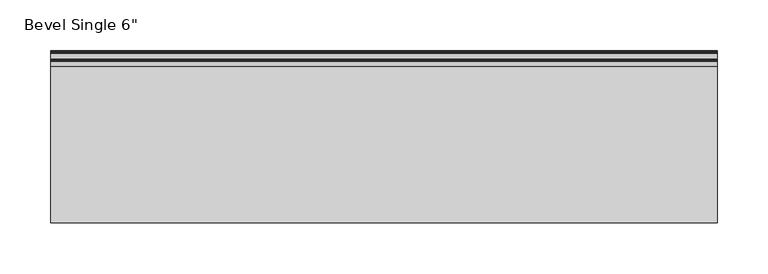
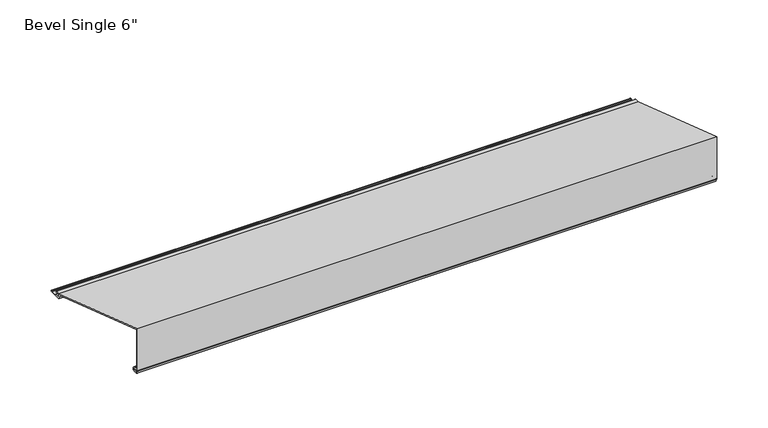
"""IFC4 building model written with IfcOpenShell, lengths in millimetres: proxy geometry."""

import ifcopenshell
import ifcopenshell.guid

model = None  # the IFC model being written
_history = None  # IfcOwnerHistory: only IFC2X3 demands one
_inside = {}  # id of a spatial element -> (the spatial element, [elements in it])
_under = {}  # id of a project, library or spatial element -> (it, [spatial elements below it])
_declared = {}  # id of a project -> (the project, [libraries it declares])
_typed = {}  # id of a type object -> (the type object, [elements of that type])
_made_of = {}  # id of a material, layer set ... -> (it, [elements and type objects made of it])


def new_model(schema):
    """Start an empty IFC model of exactly this schema.

    Asked for "IFC4X3", IfcOpenShell would pick the latest addendum, in which some entities
    have other attributes; the version numbers below select the first issue.
    IFC2X3 requires an IfcOwnerHistory on every rooted entity: one is made here for all.
    """
    global model, _history
    if schema == "IFC4X3":
        model = ifcopenshell.file(schema_version=(4, 3, 0, 0))
    else:
        model = ifcopenshell.file(schema=schema)
    _inside.clear()
    _under.clear()
    _declared.clear()
    _typed.clear()
    _made_of.clear()
    _history = None
    if model.schema == "IFC2X3":
        org = make("IfcOrganization", Name="unknown")
        user = make(
            "IfcPersonAndOrganization",
            ThePerson=make("IfcPerson", FamilyName="unknown"),
            TheOrganization=org,
        )
        app = make(
            "IfcApplication",
            ApplicationDeveloper=org,
            Version="unknown",
            ApplicationFullName="unknown",
            ApplicationIdentifier="unknown",
        )
        _history = make(
            "IfcOwnerHistory",
            OwningUser=user,
            OwningApplication=app,
            ChangeAction="ADDED",
            CreationDate=0,
        )
    return model


def make(cls, **values):
    """One entity of the class cls with the attributes given. An attribute that is None is left unset."""
    return model.create_entity(
        cls, **{name: value for name, value in values.items() if value is not None}
    )


def rooted(cls, **values):
    """An entity with a GlobalId (a new one), such as an element, a storey or a relation."""
    return make(cls, GlobalId=ifcopenshell.guid.new(), OwnerHistory=_history, **values)


def si_unit(unit_type, name, prefix=None):
    """IfcSIUnit, for example si_unit("LENGTHUNIT", "METRE", prefix="MILLI")."""
    return make("IfcSIUnit", UnitType=unit_type, Prefix=prefix, Name=name)


def assignment(units):
    """IfcUnitAssignment: the units of a project."""
    return None if units is None else make("IfcUnitAssignment", Units=units)


def point(xyz):
    """IfcCartesianPoint."""
    return None if xyz is None else make("IfcCartesianPoint", Coordinates=xyz)


def direction(xyz):
    """IfcDirection."""
    return None if xyz is None else make("IfcDirection", DirectionRatios=xyz)


def frame(location, z_axis=None, x_axis=None):
    """IfcAxis2Placement3D, a coordinate frame: its origin and axes. An axis left out is left unset."""
    return make(
        "IfcAxis2Placement3D",
        Location=point(location),
        Axis=direction(z_axis),
        RefDirection=direction(x_axis),
    )


def frame_2d(location, x_axis=None):
    """IfcAxis2Placement2D, a coordinate frame in the plane: its origin and x axis."""
    return make(
        "IfcAxis2Placement2D", Location=point(location), RefDirection=direction(x_axis)
    )


def origin():
    """The frame at (0, 0, 0) with its axes left unset."""
    return frame((0.0, 0.0, 0.0))


def place(relative_to, where):
    """IfcLocalPlacement: puts the frame where relative to a parent placement (None: the world)."""
    return make(
        "IfcLocalPlacement", PlacementRelTo=relative_to, RelativePlacement=where
    )


def context(
    kind, dimensions, precision=None, world=None, true_north=None, identifier=None
):
    """IfcGeometricRepresentationContext, for example the 3D "Model" context."""
    return make(
        "IfcGeometricRepresentationContext",
        ContextIdentifier=identifier,
        ContextType=kind,
        CoordinateSpaceDimension=dimensions,
        Precision=precision,
        WorldCoordinateSystem=world,
        TrueNorth=true_north,
    )


def project(units=None, contexts=None):
    """IfcProject with its units and contexts."""
    return rooted(
        "IfcProject",
        Name="project",
        RepresentationContexts=contexts,
        UnitsInContext=assignment(units),
    )


def spatial(cls, under=None, at=None, **own):
    """A site, building, storey or space (cls), placed at a placement, below another one or the project."""
    s = rooted(cls, ObjectPlacement=at, **own)
    if under is not None:
        _under.setdefault(under.id(), (under, []))[1].append(s)
    return s


def polyline(points):
    """IfcPolyline through the points."""
    return make("IfcPolyline", Points=[point(p) for p in points])


def circle_curve(where, radius):
    """IfcCircle in the frame where."""
    return make("IfcCircle", Position=where, Radius=radius)


def trimmed(basis, trim1, trim2, sense, master):
    """IfcTrimmedCurve: the piece of a basis curve between two trims."""
    return make(
        "IfcTrimmedCurve",
        BasisCurve=basis,
        Trim1=trim1,
        Trim2=trim2,
        SenseAgreement=sense,
        MasterRepresentation=master,
    )


def segment(curve, same_sense, transition):
    """IfcCompositeCurveSegment."""
    return make(
        "IfcCompositeCurveSegment",
        Transition=transition,
        SameSense=same_sense,
        ParentCurve=curve,
    )


def composite_curve(segments, self_intersect=None):
    """IfcCompositeCurve: segments joined end to end."""
    return make("IfcCompositeCurve", Segments=segments, SelfIntersect=self_intersect)


def outline(outer, holes=None, kind="AREA"):
    """IfcArbitraryClosedProfileDef: a profile drawn as a closed curve; with holes, ...WithVoids."""
    if holes is None:
        return make("IfcArbitraryClosedProfileDef", ProfileType=kind, OuterCurve=outer)
    return make(
        "IfcArbitraryProfileDefWithVoids",
        ProfileType=kind,
        OuterCurve=outer,
        InnerCurves=holes,
    )


def extrude(swept, where, along, depth):
    """IfcExtrudedAreaSolid: the profile swept, set in the frame where, extruded along a direction by depth."""
    return make(
        "IfcExtrudedAreaSolid",
        SweptArea=swept,
        Position=where,
        ExtrudedDirection=direction(along),
        Depth=depth,
    )


def shape(context_of_items, identifier, shape_type, items):
    """IfcShapeRepresentation: the items that make up one representation, for example the "Body"."""
    return make(
        "IfcShapeRepresentation",
        ContextOfItems=context_of_items,
        RepresentationIdentifier=identifier,
        RepresentationType=shape_type,
        Items=items,
    )


def source(mapping_origin, context_of_items, identifier, shape_type, items):
    """IfcRepresentationMap: a shape defined once, which mapped items show again and again."""
    return make(
        "IfcRepresentationMap",
        MappingOrigin=mapping_origin,
        MappedRepresentation=shape(context_of_items, identifier, shape_type, items),
    )


def transform(
    local_origin,
    x_axis=None,
    y_axis=None,
    z_axis=None,
    scale=None,
    scale2=None,
    scale3=None,
    uniform=True,
):
    """IfcCartesianTransformationOperator3D, or its non-uniform kind. x_axis, y_axis, z_axis: its Axis1, 2, 3."""
    if uniform:
        return make(
            "IfcCartesianTransformationOperator3D",
            Axis1=direction(x_axis),
            Axis2=direction(y_axis),
            LocalOrigin=point(local_origin),
            Scale=scale,
            Axis3=direction(z_axis),
        )
    return make(
        "IfcCartesianTransformationOperator3DnonUniform",
        Axis1=direction(x_axis),
        Axis2=direction(y_axis),
        LocalOrigin=point(local_origin),
        Scale=scale,
        Axis3=direction(z_axis),
        Scale2=scale2,
        Scale3=scale3,
    )


def mapped(mapping_source, mapping_target):
    """IfcMappedItem: shows the shape of a source again, moved by a transform."""
    return make(
        "IfcMappedItem", MappingSource=mapping_source, MappingTarget=mapping_target
    )


def made_of(thing, what):
    """Note that an element or type object is made of a material, layer set ...; save() writes the relation."""
    if what is not None:
        _made_of.setdefault(what.id(), (what, []))[1].append(thing)
    return thing


def element(
    cls,
    number,
    at=None,
    inside=None,
    cuts=None,
    type_object=None,
    material=None,
    context=None,
    identifier="Body",
    shape_type=None,
    held_by="IfcProductDefinitionShape",
    body=None,
    shapes=None,
    **own,
):
    """One element of the class cls, such as IfcWall. Its Tag is "e" and its number.

    at: its placement. inside: the storey or other place that contains it. cuts: it is an
    opening in that element (IfcRelVoidsElement). A single representation is given by context,
    identifier, shape_type and body (its items); several are given by shapes. held_by: the class
    of the entity that holds the representations. save() writes the other relations.
    """
    e = rooted(cls, Tag="e%d" % number, ObjectPlacement=at, **own)
    if body is not None:
        shapes = [shape(context, identifier, shape_type, body)]
    if shapes is not None:
        e.Representation = make(held_by, Representations=shapes)
    if inside is not None:
        _inside.setdefault(inside.id(), (inside, []))[1].append(e)
    if cuts is not None:
        rooted(
            "IfcRelVoidsElement", RelatingBuildingElement=cuts, RelatedOpeningElement=e
        )
    if type_object is not None:
        _typed.setdefault(type_object.id(), (type_object, []))[1].append(e)
    return made_of(e, material)


def aggregate(whole, parts):
    """IfcRelAggregates: a whole, such as a stair, and the parts it consists of."""
    return rooted("IfcRelAggregates", RelatingObject=whole, RelatedObjects=parts)


def save(model, path):
    """Write the relations noted so far, then the file.

    IfcRelAggregates (storeys below a building ...), IfcRelContainedInSpatialStructure (elements
    in a storey), IfcRelDefinesByType, IfcRelAssociatesMaterial and IfcRelDeclares: one each for
    every whole, place, type object, material and project.
    """
    for whole, parts in _under.values():
        aggregate(whole, parts)
    for where, things in _inside.values():
        rooted(
            "IfcRelContainedInSpatialStructure",
            RelatedElements=things,
            RelatingStructure=where,
        )
    for kind, things in _typed.values():
        rooted("IfcRelDefinesByType", RelatedObjects=things, RelatingType=kind)
    for what, things in _made_of.values():
        rooted("IfcRelAssociatesMaterial", RelatedObjects=things, RelatingMaterial=what)
    for by, libraries in _declared.values():
        rooted("IfcRelDeclares", RelatingContext=by, RelatedDefinitions=libraries)
    model.write(path)


def proxy_856b375e(model_context):
    return source(origin(), model_context, "Body", "SweptSolid", [
        extrude(outline(composite_curve([segment(polyline([(151.1859668, 7.1543053), (1.6200129, 56.9605985), (1.6200129, 11.1630642)]), True, "CONTINUOUS"), segment(trimmed(circle_curve(frame_2d((2.1200129, 11.1630642)), 0.5), [point((1.6200129, 11.1630642))], [point((2.1964288, 10.6689381))], True, "CARTESIAN"), True, "CONTINUOUS"), segment(trimmed(circle_curve(frame_2d((2.5444203, 8.4187313)), 2.276956), [point((2.1964288, 10.6689381))], [point((4.157149, 10.0261002))], False, "CARTESIAN"), True, "CONTINUOUS"), segment(trimmed(circle_curve(frame_2d((5.2143342, 10.9003627)), 1.3718511), [point((4.157149, 10.0261002))], [point((5.2143342, 9.5285116))], True, "CARTESIAN"), True, "CONTINUOUS"), segment(polyline([(5.2143342, 9.5285116), (6.1143342, 9.5285116)]), True, "CONTINUOUS"), segment(trimmed(circle_curve(frame_2d((6.1143342, 7.2990307)), 2.2294809), [point((6.1143342, 9.5285116))], [point((6.1143342, 5.0695499))], False, "CARTESIAN"), True, "CONTINUOUS"), segment(polyline([(6.1143342, 5.0695499), (2.2799682, 5.0695499)]), True, "CONTINUOUS"), segment(trimmed(circle_curve(frame_2d((2.2799682, 5.7406692)), 0.6711194), [point((2.2799682, 5.0695499))], [point((2.2799682, 6.4117885))], False, "CARTESIAN"), True, "CONTINUOUS"), segment(polyline([(2.2799682, 6.4117885), (6.1143342, 6.4117886)]), True, "CONTINUOUS"), segment(trimmed(circle_curve(frame_2d((6.1143342, 7.2990307)), 0.8872422), [point((6.1143342, 6.4117886))], [point((6.1143342, 8.1862729))], True, "CARTESIAN"), True, "CONTINUOUS"), segment(polyline([(6.1143342, 8.1862729), (5.042458, 8.186273)]), True, "CONTINUOUS"), segment(trimmed(circle_curve(frame_2d((5.042458, 10.580668)), 2.394395), [point((5.042458, 8.186273))], [point((3.5461213, 8.7114157))], False, "CARTESIAN"), True, "CONTINUOUS"), segment(trimmed(circle_curve(frame_2d((2.6087218, 7.5403983)), 1.4999999), [point((3.5461213, 8.7114157))], [point((1.5093122, 8.5608385))], True, "CARTESIAN"), True, "CONTINUOUS"), segment(trimmed(circle_curve(frame_2d((0.8709548, 9.1533434)), 0.8709548), [point((1.5093122, 8.5608385))], [point((0.0, 9.1533434))], False, "CARTESIAN"), True, "CONTINUOUS"), segment(polyline([(0.0, 9.1533434), (0.0, 59.2075351), (153.323369, 8.149994), (158.1312491, 8.1322106)]), True, "CONTINUOUS"), segment(trimmed(circle_curve(frame_2d((158.1312491, 7.3217688)), 0.8104417), [point((158.1312491, 8.1322106))], [point((158.1312491, 6.5113271))], False, "CARTESIAN"), True, "CONTINUOUS"), segment(polyline([(158.1312491, 6.5113271), (154.4097281, 6.5113271)]), True, "CONTINUOUS"), segment(trimmed(circle_curve(frame_2d((154.4097281, 5.8113271)), 0.7), [point((154.4097281, 6.5113271))], [point((153.7899441, 5.4859539))], True, "CARTESIAN"), True, "CONTINUOUS"), segment(polyline([(153.7899441, 5.4859539), (154.8458693, 3.4745844), (159.727488, 3.4745844), (160.2588473, 2.8682589), (166.0928283, 2.8682589), (166.8501267, 3.5037076), (167.8001267, 3.5037076)]), True, "CONTINUOUS"), segment(trimmed(circle_curve(frame_2d((167.8001267, 2.6787076)), 0.825), [point((167.8001267, 3.5037076))], [point((167.8001267, 1.8537076))], False, "CARTESIAN"), True, "CONTINUOUS"), segment(polyline([(167.8001267, 1.8537076), (153.9686657, 1.8537076), (151.1859668, 7.1543053)]), True, "CONTINUOUS")], self_intersect=False)), frame((0.0, 0.0, 0.0), z_axis=(1.0, 0.0, 0.0), x_axis=(0.0, 1.0, 0.0)), (0.0, 0.0, 1.0), 653.773),
    ])


if __name__ == "__main__":
    model = new_model("IFC4")
    model_context = context("Model", 3, world=origin())
    ifc_project = project(units=[si_unit("LENGTHUNIT", "METRE", prefix="MILLI")], contexts=[model_context])
    site = spatial("IfcSite", under=ifc_project)
    building = spatial("IfcBuilding", under=site)
    placement = place(None, origin())
    proxy_shape = proxy_856b375e(model_context)
    element("IfcBuildingElementProxy", 1, Name="Bevel Single 6\"", ObjectType="Bevel Single 6\"", at=placement, inside=building, context=model_context, shape_type="MappedRepresentation", body=[
        mapped(proxy_shape, transform((0.0, 0.0, 0.0), x_axis=(1.0, 0.0, 0.0), y_axis=(0.0, 1.0, 0.0), z_axis=(0.0, 0.0, 1.0))),
    ])
    save(model, "model.ifc")
